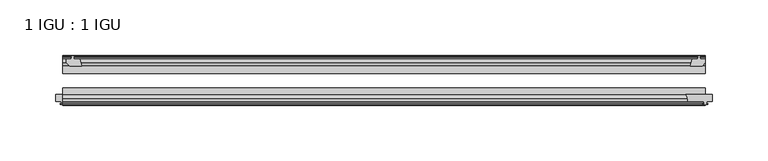
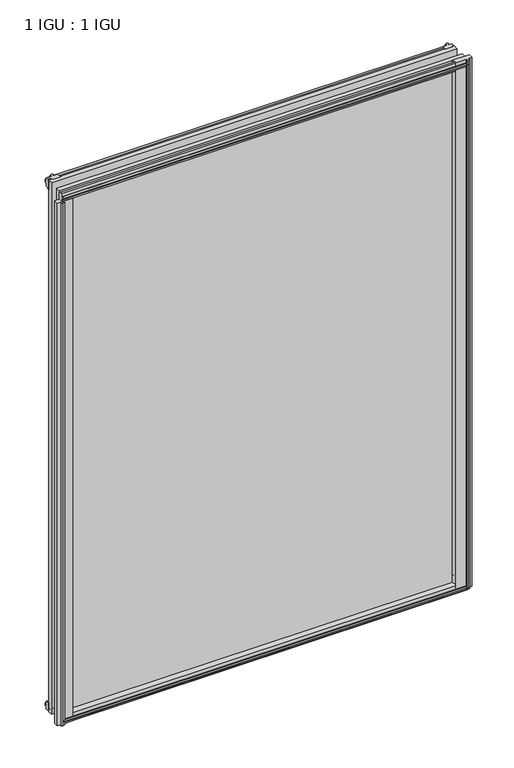
"""IFC4 building model written with IfcOpenShell, lengths in millimetres: plate geometry, 1 IGU : 1 IGU."""

from ifc_helpers import new_model, si_unit, point, frame, frame_2d, origin, place, context, project, spatial, polyline, circle_curve, trimmed, segment, composite_curve, outline, extrude, source, transform, mapped, element, save


def plate_1_igu_1_igu_e5b34345(model_context):
    return source(origin(), model_context, "Body", "SweptSolid", [
        extrude(outline(polyline([(281.1166084, -10.4746158), (283.2941375, -9.7670938), (285.4716666, -10.4746158), (285.4716666, -11.27583), (284.0561375, -10.8158968), (284.4371375, -13.1960938), (288.8821375, -13.1960938), (288.8821375, -16.1424938), (286.0477953, -19.5460938), (275.2264194, -19.5460938), (276.9441375, -13.1960938), (282.1511375, -13.1960938), (282.5321375, -10.8158968), (281.1166084, -11.27583), (281.1166084, -10.4746158)])), frame((0.0, 0.0, -12.4587), z_axis=(0.0, 0.0, 1.0), x_axis=(1.0, 0.0, 0.0)), (0.0, 0.0, 1.0), 799.6174),
        extrude(outline(polyline([(-279.9207, -9.7670937), (-277.7431709, -10.4746158), (-277.7431709, -11.27583), (-279.1587, -10.8158968), (-278.7777, -13.1960937), (-273.5707, -13.1960937), (-271.8529819, -19.5460937), (-282.6743578, -19.5460937), (-285.5087, -16.1424937), (-285.5087, -13.1960937), (-281.0637, -13.1960937), (-280.6827, -10.8158968), (-282.0982291, -11.27583), (-282.0982291, -10.4746158), (-279.9207, -9.7670937)])), frame((0.0, 0.0, -12.4587), z_axis=(0.0, 0.0, 1.0), x_axis=(1.0, 0.0, 0.0)), (0.0, 0.0, 1.0), 799.6174),
        extrude(outline(composite_curve([segment(polyline([(-295.275, -44.9460937), (-271.1867558, -44.9460937)]), True, "CONTINUOUS"), segment(trimmed(circle_curve(frame_2d((-264.2743721, -50.4227155)), 8.8189814), [point((-271.1867558, -44.9460937))], [point((-273.05, -51.2960937))], True, "CARTESIAN"), True, "CONTINUOUS"), segment(polyline([(-273.05, -51.2960937), (-287.655, -51.2960937), (-287.9725, -53.4006957), (-286.7538941, -53.0741712), (-286.5501, -53.8347412), (-288.925, -54.4710937), (-291.2999, -53.8347412), (-291.0961059, -53.0741712), (-289.8775, -53.4006957), (-290.195, -51.2960937), (-295.275, -51.2960937), (-295.275, -44.9460937)]), True, "CONTINUOUS")], self_intersect=False)), frame((0.0, 0.0, -12.4587), z_axis=(0.0, 0.0, 1.0), x_axis=(1.0, 0.0, 0.0)), (0.0, 0.0, 1.0), 786.9174),
        extrude(outline(composite_curve([segment(polyline([(271.1867558, -44.9460938), (295.275, -44.9460938), (295.275, -51.2960938), (290.195, -51.2960938), (289.8775, -53.4006957), (291.0961059, -53.0741712), (291.2999, -53.8347412), (288.925, -54.4710938), (286.5501, -53.8347412), (286.7538941, -53.0741712), (287.9725, -53.4006957), (287.655, -51.2960938), (273.05, -51.2960938)]), True, "CONTINUOUS"), segment(trimmed(circle_curve(frame_2d((264.2743721, -50.4227155)), 8.8189814), [point((273.05, -51.2960938))], [point((271.1867558, -44.9460938))], True, "CARTESIAN"), True, "CONTINUOUS")], self_intersect=False)), frame((0.0, 0.0, -9.0482291), z_axis=(0.0, 0.0, 1.0), x_axis=(1.0, 0.0, 0.0)), (0.0, 0.0, 1.0), 796.2069291),
        extrude(outline(polyline([(-10.4746158, -4.6931709), (-9.7670937, -6.8707), (-10.4746158, -9.0482291), (-11.27583, -9.0482291), (-10.8158968, -7.6327), (-13.1960937, -8.0137), (-13.1960937, -12.4587), (-16.1424937, -12.4587), (-19.5460937, -9.6243578), (-19.5460937, 1.1970181), (-13.1960937, -0.5207), (-13.1960937, -5.7277), (-10.8158968, -6.1087), (-11.27583, -4.6931709), (-10.4746158, -4.6931709)])), frame((-288.925, 0.0, 0.0), z_axis=(1.0, 0.0, 0.0), x_axis=(0.0, 1.0, 0.0)), (0.0, 0.0, 1.0), 577.85),
        extrude(outline(polyline([(-44.9460937, 1.7177181), (-44.9460937, -9.1036578), (-48.3496937, -11.938), (-51.2960937, -11.938), (-51.2960937, -7.493), (-53.6762907, -7.112), (-53.2163575, -8.5275291), (-54.0175717, -8.5275291), (-54.7250937, -6.35), (-54.0175717, -4.1724709), (-53.2163575, -4.1724709), (-53.6762907, -5.588), (-51.2960937, -5.207), (-51.2960937, 0.0), (-44.9460937, 1.7177181)])), frame((-288.925, 0.0, 0.0), z_axis=(1.0, 0.0, 0.0), x_axis=(0.0, 1.0, 0.0)), (0.0, 0.0, 1.0), 577.85),
        extrude(outline(polyline([(-10.8158968, 782.3327), (-11.27583, 783.7482291), (-10.4746158, 783.7482291), (-9.7670937, 781.5707), (-10.4746158, 779.3931709), (-11.27583, 779.3931709), (-10.8158968, 780.8087), (-13.1960937, 780.4277), (-13.1960937, 775.2207), (-19.5460938, 773.5029819), (-19.5460938, 784.3243578), (-16.1424937, 787.1587), (-13.1960937, 787.1587), (-13.1960937, 782.7137), (-10.8158968, 782.3327)])), frame((-288.925, 0.0, 0.0), z_axis=(1.0, 0.0, 0.0), x_axis=(0.0, 1.0, 0.0)), (0.0, 0.0, 1.0), 577.85),
        extrude(outline(polyline([(-51.2960937, 786.638), (-48.3496937, 786.638), (-44.9460938, 783.8036578), (-44.9460938, 772.9822819), (-51.2960937, 774.7), (-51.2960937, 779.907), (-53.6762907, 780.288), (-53.2163575, 778.8724709), (-54.0175717, 778.8724709), (-54.7250937, 781.05), (-54.0175717, 783.2275291), (-53.2163575, 783.2275291), (-53.6762907, 781.812), (-51.2960937, 782.193), (-51.2960937, 786.638)])), frame((-288.925, 0.0, 0.0), z_axis=(1.0, 0.0, 0.0), x_axis=(0.0, 1.0, 0.0)), (0.0, 0.0, 1.0), 577.85),
        extrude(outline(polyline([(-288.925, -38.9186738), (288.925, -38.9186738), (288.925, -44.9460937), (-288.925, -44.9460937), (-288.925, -38.9186738)])), frame((0.0, 0.0, -12.7), z_axis=(0.0, 0.0, 1.0), x_axis=(1.0, 0.0, 0.0)), (0.0, 0.0, 1.0), 800.1),
        extrude(outline(polyline([(-288.925, -19.5460937), (288.925, -19.5460937), (288.925, -25.8960938), (-288.925, -25.8960938), (-288.925, -19.5460937)])), frame((0.0, 0.0, -12.7), z_axis=(0.0, 0.0, 1.0), x_axis=(1.0, 0.0, 0.0)), (0.0, 0.0, 1.0), 800.1),
    ])


if __name__ == "__main__":
    model = new_model("IFC4")
    model_context = context("Model", 3, world=origin())
    ifc_project = project(units=[si_unit("LENGTHUNIT", "METRE", prefix="MILLI")], contexts=[model_context])
    site = spatial("IfcSite", under=ifc_project)
    building = spatial("IfcBuilding", under=site)
    placement = place(None, origin())
    plate_1_igu_1_igu_shape = plate_1_igu_1_igu_e5b34345(model_context)
    element("IfcPlate", 1, ObjectType="1 IGU : 1 IGU", at=placement, inside=building, context=model_context, shape_type="MappedRepresentation", body=[
        mapped(plate_1_igu_1_igu_shape, transform((0.0, 0.0, 0.0), x_axis=(1.0, 0.0, 0.0), y_axis=(0.0, 1.0, 0.0), z_axis=(0.0, 0.0, 1.0))),
    ])
    save(model, "model.ifc")
